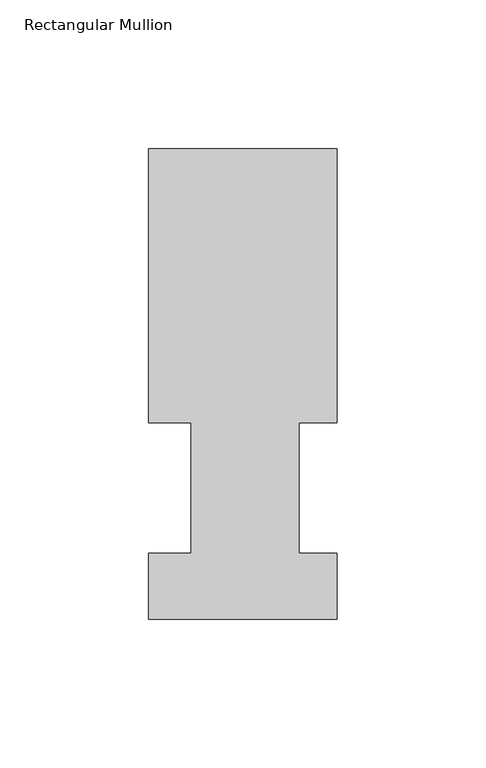
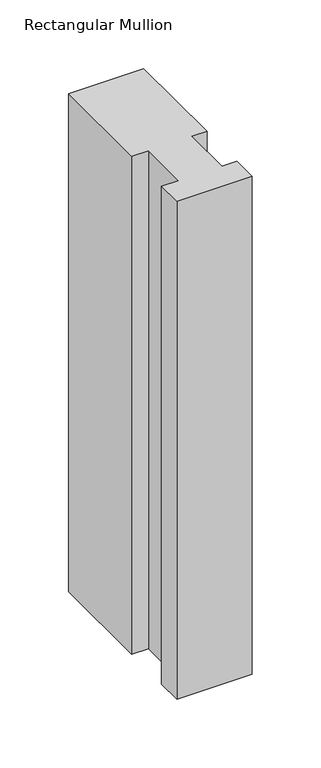
"""IFC4 building model written with IfcOpenShell, lengths in millimetres: member geometry, Rectangular Mullion."""

from ifc_helpers import new_model, si_unit, frame, origin, place, context, project, spatial, polyline, outline, extrude, source, transform, mapped, element, save


def rectangular_mullion_f35e25f0(model_context):
    return source(origin(), model_context, "Body", "SweptSolid", [
        extrude(outline(polyline([(-63.5, 158.2308875), (0.0, 158.2308875), (0.0, 66.0796875), (-12.8524, 66.0796875), (-12.8524, 22.1122875), (0.0, 22.1122875), (0.0, -0.0080424), (-63.5, -0.0080424), (-63.5, 22.1122875), (-49.2125, 22.1122875), (-49.2125, 66.0796875), (-63.5, 66.0796875), (-63.5, 158.2308875)])), frame((0.0, 0.0, -443.4416667), z_axis=(0.0, 0.0, 1.0), x_axis=(1.0, 0.0, 0.0)), (0.0, 0.0, 1.0), 443.4416667),
    ])


if __name__ == "__main__":
    model = new_model("IFC4")
    model_context = context("Model", 3, world=origin())
    ifc_project = project(units=[si_unit("LENGTHUNIT", "METRE", prefix="MILLI")], contexts=[model_context])
    site = spatial("IfcSite", under=ifc_project)
    building = spatial("IfcBuilding", under=site)
    placement = place(None, origin())
    rectangular_mullion_shape = rectangular_mullion_f35e25f0(model_context)
    element("IfcMember", 1, ObjectType="Rectangular Mullion", at=placement, inside=building, context=model_context, shape_type="MappedRepresentation", body=[
        mapped(rectangular_mullion_shape, transform((0.0, 0.0, 0.0), x_axis=(1.0, 0.0, 0.0), y_axis=(0.0, 1.0, 0.0), z_axis=(0.0, 0.0, 1.0))),
    ])
    save(model, "model.ifc")
